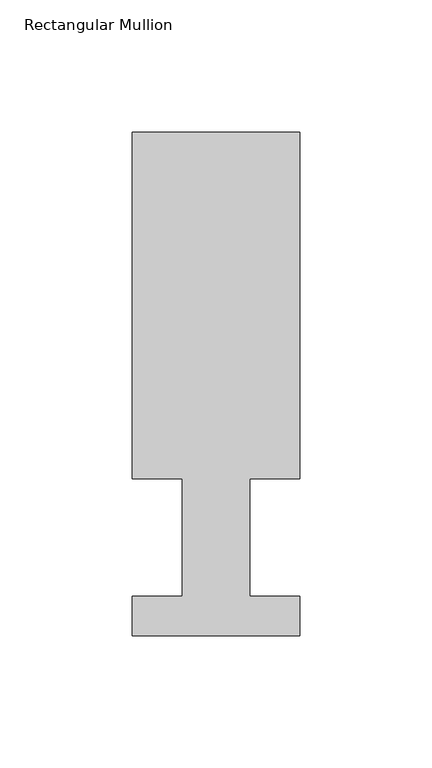
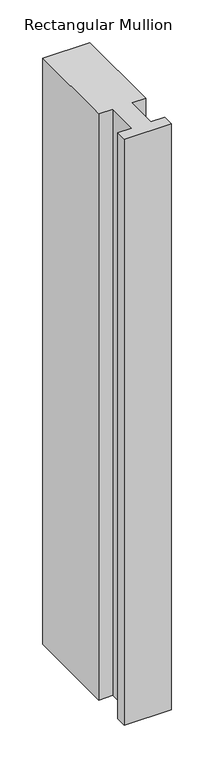
"""IFC4 building model written with IfcOpenShell, lengths in millimetres: member geometry, Rectangular Mullion."""

import ifcopenshell
import ifcopenshell.guid

model = None  # the IFC model being written
_history = None  # IfcOwnerHistory: only IFC2X3 demands one
_inside = {}  # id of a spatial element -> (the spatial element, [elements in it])
_under = {}  # id of a project, library or spatial element -> (it, [spatial elements below it])
_declared = {}  # id of a project -> (the project, [libraries it declares])
_typed = {}  # id of a type object -> (the type object, [elements of that type])
_made_of = {}  # id of a material, layer set ... -> (it, [elements and type objects made of it])


def new_model(schema):
    """Start an empty IFC model of exactly this schema.

    Asked for "IFC4X3", IfcOpenShell would pick the latest addendum, in which some entities
    have other attributes; the version numbers below select the first issue.
    IFC2X3 requires an IfcOwnerHistory on every rooted entity: one is made here for all.
    """
    global model, _history
    if schema == "IFC4X3":
        model = ifcopenshell.file(schema_version=(4, 3, 0, 0))
    else:
        model = ifcopenshell.file(schema=schema)
    _inside.clear()
    _under.clear()
    _declared.clear()
    _typed.clear()
    _made_of.clear()
    _history = None
    if model.schema == "IFC2X3":
        org = make("IfcOrganization", Name="unknown")
        user = make(
            "IfcPersonAndOrganization",
            ThePerson=make("IfcPerson", FamilyName="unknown"),
            TheOrganization=org,
        )
        app = make(
            "IfcApplication",
            ApplicationDeveloper=org,
            Version="unknown",
            ApplicationFullName="unknown",
            ApplicationIdentifier="unknown",
        )
        _history = make(
            "IfcOwnerHistory",
            OwningUser=user,
            OwningApplication=app,
            ChangeAction="ADDED",
            CreationDate=0,
        )
    return model


def make(cls, **values):
    """One entity of the class cls with the attributes given. An attribute that is None is left unset."""
    return model.create_entity(
        cls, **{name: value for name, value in values.items() if value is not None}
    )


def rooted(cls, **values):
    """An entity with a GlobalId (a new one), such as an element, a storey or a relation."""
    return make(cls, GlobalId=ifcopenshell.guid.new(), OwnerHistory=_history, **values)


def si_unit(unit_type, name, prefix=None):
    """IfcSIUnit, for example si_unit("LENGTHUNIT", "METRE", prefix="MILLI")."""
    return make("IfcSIUnit", UnitType=unit_type, Prefix=prefix, Name=name)


def assignment(units):
    """IfcUnitAssignment: the units of a project."""
    return None if units is None else make("IfcUnitAssignment", Units=units)


def point(xyz):
    """IfcCartesianPoint."""
    return None if xyz is None else make("IfcCartesianPoint", Coordinates=xyz)


def direction(xyz):
    """IfcDirection."""
    return None if xyz is None else make("IfcDirection", DirectionRatios=xyz)


def frame(location, z_axis=None, x_axis=None):
    """IfcAxis2Placement3D, a coordinate frame: its origin and axes. An axis left out is left unset."""
    return make(
        "IfcAxis2Placement3D",
        Location=point(location),
        Axis=direction(z_axis),
        RefDirection=direction(x_axis),
    )


def origin():
    """The frame at (0, 0, 0) with its axes left unset."""
    return frame((0.0, 0.0, 0.0))


def place(relative_to, where):
    """IfcLocalPlacement: puts the frame where relative to a parent placement (None: the world)."""
    return make(
        "IfcLocalPlacement", PlacementRelTo=relative_to, RelativePlacement=where
    )


def context(
    kind, dimensions, precision=None, world=None, true_north=None, identifier=None
):
    """IfcGeometricRepresentationContext, for example the 3D "Model" context."""
    return make(
        "IfcGeometricRepresentationContext",
        ContextIdentifier=identifier,
        ContextType=kind,
        CoordinateSpaceDimension=dimensions,
        Precision=precision,
        WorldCoordinateSystem=world,
        TrueNorth=true_north,
    )


def project(units=None, contexts=None):
    """IfcProject with its units and contexts."""
    return rooted(
        "IfcProject",
        Name="project",
        RepresentationContexts=contexts,
        UnitsInContext=assignment(units),
    )


def spatial(cls, under=None, at=None, **own):
    """A site, building, storey or space (cls), placed at a placement, below another one or the project."""
    s = rooted(cls, ObjectPlacement=at, **own)
    if under is not None:
        _under.setdefault(under.id(), (under, []))[1].append(s)
    return s


def polyline(points):
    """IfcPolyline through the points."""
    return make("IfcPolyline", Points=[point(p) for p in points])


def outline(outer, holes=None, kind="AREA"):
    """IfcArbitraryClosedProfileDef: a profile drawn as a closed curve; with holes, ...WithVoids."""
    if holes is None:
        return make("IfcArbitraryClosedProfileDef", ProfileType=kind, OuterCurve=outer)
    return make(
        "IfcArbitraryProfileDefWithVoids",
        ProfileType=kind,
        OuterCurve=outer,
        InnerCurves=holes,
    )


def extrude(swept, where, along, depth):
    """IfcExtrudedAreaSolid: the profile swept, set in the frame where, extruded along a direction by depth."""
    return make(
        "IfcExtrudedAreaSolid",
        SweptArea=swept,
        Position=where,
        ExtrudedDirection=direction(along),
        Depth=depth,
    )


def shape(context_of_items, identifier, shape_type, items):
    """IfcShapeRepresentation: the items that make up one representation, for example the "Body"."""
    return make(
        "IfcShapeRepresentation",
        ContextOfItems=context_of_items,
        RepresentationIdentifier=identifier,
        RepresentationType=shape_type,
        Items=items,
    )


def source(mapping_origin, context_of_items, identifier, shape_type, items):
    """IfcRepresentationMap: a shape defined once, which mapped items show again and again."""
    return make(
        "IfcRepresentationMap",
        MappingOrigin=mapping_origin,
        MappedRepresentation=shape(context_of_items, identifier, shape_type, items),
    )


def transform(
    local_origin,
    x_axis=None,
    y_axis=None,
    z_axis=None,
    scale=None,
    scale2=None,
    scale3=None,
    uniform=True,
):
    """IfcCartesianTransformationOperator3D, or its non-uniform kind. x_axis, y_axis, z_axis: its Axis1, 2, 3."""
    if uniform:
        return make(
            "IfcCartesianTransformationOperator3D",
            Axis1=direction(x_axis),
            Axis2=direction(y_axis),
            LocalOrigin=point(local_origin),
            Scale=scale,
            Axis3=direction(z_axis),
        )
    return make(
        "IfcCartesianTransformationOperator3DnonUniform",
        Axis1=direction(x_axis),
        Axis2=direction(y_axis),
        LocalOrigin=point(local_origin),
        Scale=scale,
        Axis3=direction(z_axis),
        Scale2=scale2,
        Scale3=scale3,
    )


def mapped(mapping_source, mapping_target):
    """IfcMappedItem: shows the shape of a source again, moved by a transform."""
    return make(
        "IfcMappedItem", MappingSource=mapping_source, MappingTarget=mapping_target
    )


def made_of(thing, what):
    """Note that an element or type object is made of a material, layer set ...; save() writes the relation."""
    if what is not None:
        _made_of.setdefault(what.id(), (what, []))[1].append(thing)
    return thing


def element(
    cls,
    number,
    at=None,
    inside=None,
    cuts=None,
    type_object=None,
    material=None,
    context=None,
    identifier="Body",
    shape_type=None,
    held_by="IfcProductDefinitionShape",
    body=None,
    shapes=None,
    **own,
):
    """One element of the class cls, such as IfcWall. Its Tag is "e" and its number.

    at: its placement. inside: the storey or other place that contains it. cuts: it is an
    opening in that element (IfcRelVoidsElement). A single representation is given by context,
    identifier, shape_type and body (its items); several are given by shapes. held_by: the class
    of the entity that holds the representations. save() writes the other relations.
    """
    e = rooted(cls, Tag="e%d" % number, ObjectPlacement=at, **own)
    if body is not None:
        shapes = [shape(context, identifier, shape_type, body)]
    if shapes is not None:
        e.Representation = make(held_by, Representations=shapes)
    if inside is not None:
        _inside.setdefault(inside.id(), (inside, []))[1].append(e)
    if cuts is not None:
        rooted(
            "IfcRelVoidsElement", RelatingBuildingElement=cuts, RelatedOpeningElement=e
        )
    if type_object is not None:
        _typed.setdefault(type_object.id(), (type_object, []))[1].append(e)
    return made_of(e, material)


def aggregate(whole, parts):
    """IfcRelAggregates: a whole, such as a stair, and the parts it consists of."""
    return rooted("IfcRelAggregates", RelatingObject=whole, RelatedObjects=parts)


def save(model, path):
    """Write the relations noted so far, then the file.

    IfcRelAggregates (storeys below a building ...), IfcRelContainedInSpatialStructure (elements
    in a storey), IfcRelDefinesByType, IfcRelAssociatesMaterial and IfcRelDeclares: one each for
    every whole, place, type object, material and project.
    """
    for whole, parts in _under.values():
        aggregate(whole, parts)
    for where, things in _inside.values():
        rooted(
            "IfcRelContainedInSpatialStructure",
            RelatedElements=things,
            RelatingStructure=where,
        )
    for kind, things in _typed.values():
        rooted("IfcRelDefinesByType", RelatedObjects=things, RelatingType=kind)
    for what, things in _made_of.values():
        rooted("IfcRelAssociatesMaterial", RelatedObjects=things, RelatingMaterial=what)
    for by, libraries in _declared.values():
        rooted("IfcRelDeclares", RelatingContext=by, RelatedDefinitions=libraries)
    model.write(path)


def rectangular_mullion_9405d765(model_context):
    return source(origin(), model_context, "Body", "SweptSolid", [
        extrude(outline(polyline([(-31.75, 188.8174107), (31.75, 188.8174107), (31.75, 57.6460937), (12.7, 57.6460937), (12.7, 13.1960938), (31.75, 13.1960938), (31.75, -1.7587893), (-31.75, -1.7587893), (-31.75, 13.1960938), (-12.7, 13.1960938), (-12.7, 57.6460937), (-31.75, 57.6460937), (-31.75, 188.8174107)])), frame((0.0, 0.0, -838.2), z_axis=(0.0, 0.0, 1.0), x_axis=(1.0, 0.0, 0.0)), (0.0, 0.0, 1.0), 838.2),
    ])


if __name__ == "__main__":
    model = new_model("IFC4")
    model_context = context("Model", 3, world=origin())
    ifc_project = project(units=[si_unit("LENGTHUNIT", "METRE", prefix="MILLI")], contexts=[model_context])
    site = spatial("IfcSite", under=ifc_project)
    building = spatial("IfcBuilding", under=site)
    placement = place(None, origin())
    rectangular_mullion_shape = rectangular_mullion_9405d765(model_context)
    element("IfcMember", 1, ObjectType="Rectangular Mullion", at=placement, inside=building, context=model_context, shape_type="MappedRepresentation", body=[
        mapped(rectangular_mullion_shape, transform((0.0, 0.0, 0.0), x_axis=(1.0, 0.0, 0.0), y_axis=(0.0, 1.0, 0.0), z_axis=(0.0, 0.0, 1.0))),
    ])
    save(model, "model.ifc")
